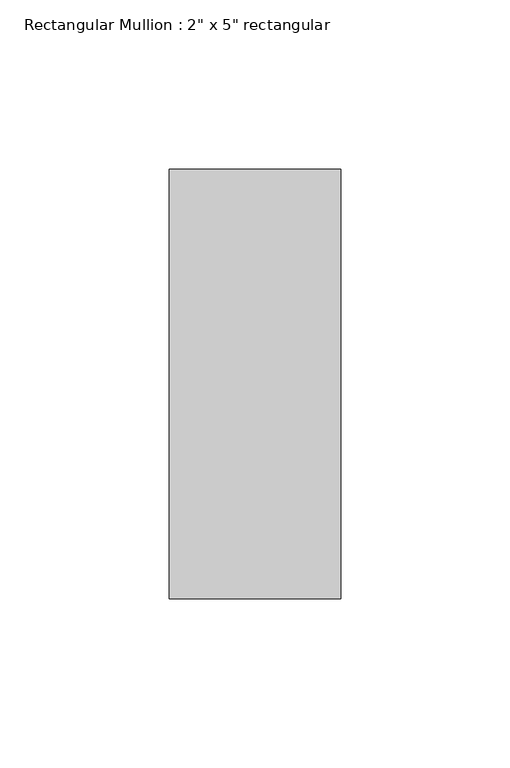
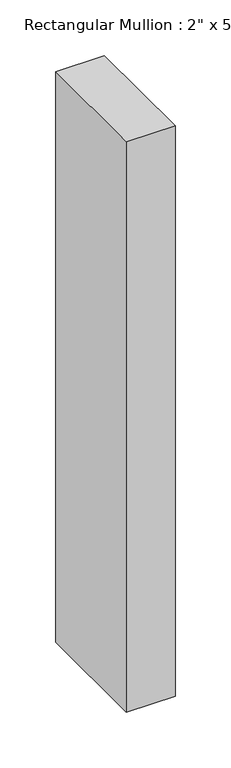
"""IFC4 building model written with IfcOpenShell, lengths in millimetres: member geometry."""

from ifc_helpers import new_model, si_unit, frame, origin, place, context, project, spatial, polyline, outline, extrude, source, transform, mapped, element, save


def member_bf277da1(model_context):
    return source(origin(), model_context, "Body", "SweptSolid", [
        extrude(outline(polyline([(25.4, 63.5), (25.4, -63.5), (-25.4, -63.5), (-25.4, 63.5), (25.4, 63.5)])), frame((0.0, 0.0, -626.5333333), z_axis=(0.0, 0.0, 1.0), x_axis=(1.0, 0.0, 0.0)), (0.0, 0.0, 1.0), 626.5333333),
    ])


if __name__ == "__main__":
    model = new_model("IFC4")
    model_context = context("Model", 3, world=origin())
    ifc_project = project(units=[si_unit("LENGTHUNIT", "METRE", prefix="MILLI")], contexts=[model_context])
    site = spatial("IfcSite", under=ifc_project)
    building = spatial("IfcBuilding", under=site)
    placement = place(None, origin())
    member_shape = member_bf277da1(model_context)
    element("IfcMember", 1, ObjectType="Rectangular Mullion : 2\" x 5\" rectangular", at=placement, inside=building, context=model_context, shape_type="MappedRepresentation", body=[
        mapped(member_shape, transform((0.0, 0.0, 0.0), x_axis=(1.0, 0.0, 0.0), y_axis=(0.0, 1.0, 0.0), z_axis=(0.0, 0.0, 1.0))),
    ])
    save(model, "model.ifc")
